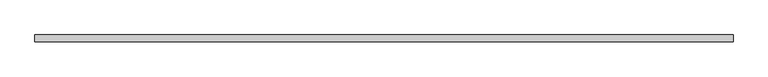
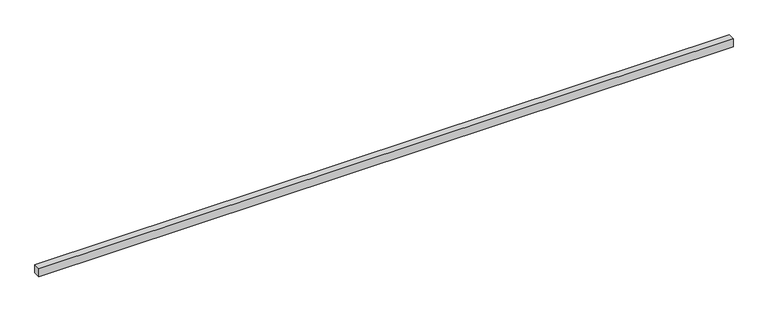
"""IFC4 building model written with IfcOpenShell, lengths in millimetres: proxy geometry."""

from ifc_helpers import new_model, si_unit, origin, origin_with_axes, place, context, project, spatial, polyline, outline, extrude, source, transform, mapped, element, save


def generic_models_a6e6f478(model_context):
    return source(origin(), model_context, "Body", "SweptSolid", [
        extrude(outline(polyline([(8080.0, -40.0), (0.0, -40.0), (0.0, 40.0), (8080.0, 40.0), (8080.0, -40.0)])), origin_with_axes(), (0.0, 0.0, 1.0), 100.0),
    ])


if __name__ == "__main__":
    model = new_model("IFC4")
    model_context = context("Model", 3, world=origin())
    ifc_project = project(units=[si_unit("LENGTHUNIT", "METRE", prefix="MILLI")], contexts=[model_context])
    site = spatial("IfcSite", under=ifc_project)
    building = spatial("IfcBuilding", under=site)
    placement = place(None, origin())
    generic_models_shape = generic_models_a6e6f478(model_context)
    element("IfcBuildingElementProxy", 1, Name="Generic Models", at=placement, inside=building, context=model_context, shape_type="MappedRepresentation", body=[
        mapped(generic_models_shape, transform((0.0, 0.0, 0.0), x_axis=(1.0, 0.0, 0.0), y_axis=(0.0, 1.0, 0.0), z_axis=(0.0, 0.0, 1.0))),
    ])
    save(model, "model.ifc")
